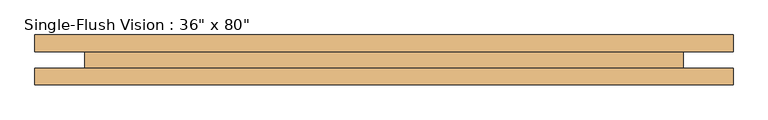
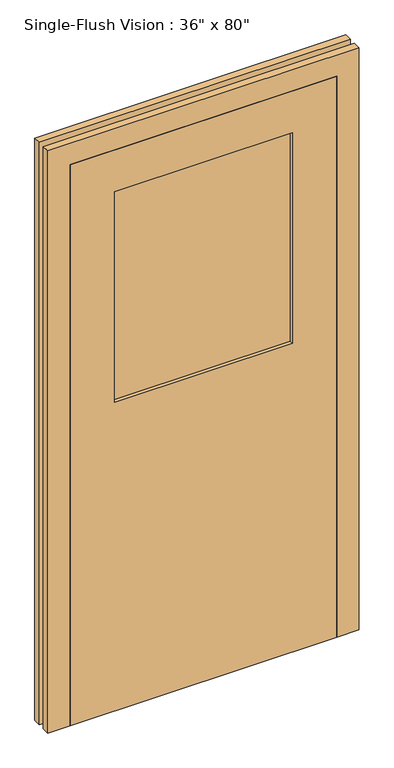
"""IFC4 building model written with IfcOpenShell, lengths in millimetres: door geometry."""

from ifc_helpers import new_model, si_unit, frame, origin, place, context, project, spatial, polyline, outline, extrude, source, transform, mapped, element, save


def door_84ca4334(model_context):
    return source(origin(), model_context, "Body", "SweptSolid", [
        extrude(outline(polyline([(2108.2, -533.4), (0.0, -533.4), (0.0, -457.2), (2032.0, -457.2), (2032.0, 457.2), (0.0, 457.2), (0.0, 533.4), (2108.2, 533.4), (2108.2, -533.4)])), frame((0.0, 12.7, 0.0), z_axis=(0.0, 1.0, 0.0), x_axis=(0.0, 0.0, 1.0)), (0.0, 0.0, 1.0), 25.4),
        extrude(outline(polyline([(2032.0, 457.2), (0.0, 457.2), (0.0, 533.4), (2108.2, 533.4), (2108.2, -533.4), (0.0, -533.4), (0.0, -457.2), (2032.0, -457.2), (2032.0, 457.2)])), frame((0.0, -38.1, 0.0), z_axis=(0.0, 1.0, 0.0), x_axis=(0.0, 0.0, 1.0)), (0.0, 0.0, 1.0), 25.4),
        extrude(outline(polyline([(304.8, -25.4), (-304.8, -25.4), (-304.8, -19.05), (304.8, -19.05), (304.8, -25.4)])), frame((0.0, 0.0, 1117.6), z_axis=(0.0, 0.0, 1.0), x_axis=(1.0, 0.0, 0.0)), (0.0, 0.0, 1.0), 762.0),
        extrude(outline(polyline([(304.8, -6.35), (-304.8, -6.35), (-304.8, 0.0), (304.8, 0.0), (304.8, -6.35)])), frame((0.0, 0.0, 1117.6), z_axis=(0.0, 0.0, 1.0), x_axis=(1.0, 0.0, 0.0)), (0.0, 0.0, 1.0), 762.0),
        extrude(outline(polyline([(2032.0, -457.2), (0.0, -457.2), (0.0, 457.2), (2032.0, 457.2), (2032.0, -457.2)]), holes=[polyline([(1879.6, -304.8), (1879.6, 304.8), (1117.6, 304.8), (1117.6, -304.8), (1879.6, -304.8)])]), frame((0.0, -38.1, 0.0), z_axis=(0.0, 1.0, 0.0), x_axis=(0.0, 0.0, 1.0)), (0.0, 0.0, 1.0), 50.8),
    ])


if __name__ == "__main__":
    model = new_model("IFC4")
    model_context = context("Model", 3, world=origin())
    ifc_project = project(units=[si_unit("LENGTHUNIT", "METRE", prefix="MILLI")], contexts=[model_context])
    site = spatial("IfcSite", under=ifc_project)
    building = spatial("IfcBuilding", under=site)
    placement = place(None, origin())
    door_shape = door_84ca4334(model_context)
    element("IfcDoor", 1, ObjectType="Single-Flush Vision : 36\" x 80\"", at=placement, inside=building, context=model_context, shape_type="MappedRepresentation", body=[
        mapped(door_shape, transform((0.0, 0.0, 0.0), x_axis=(1.0, 0.0, 0.0), y_axis=(0.0, 1.0, 0.0), z_axis=(0.0, 0.0, 1.0))),
    ])
    save(model, "model.ifc")
